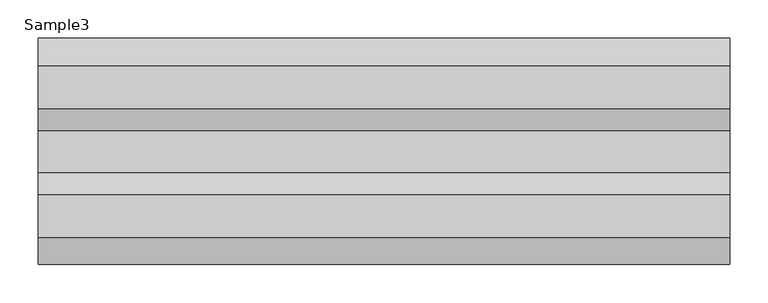
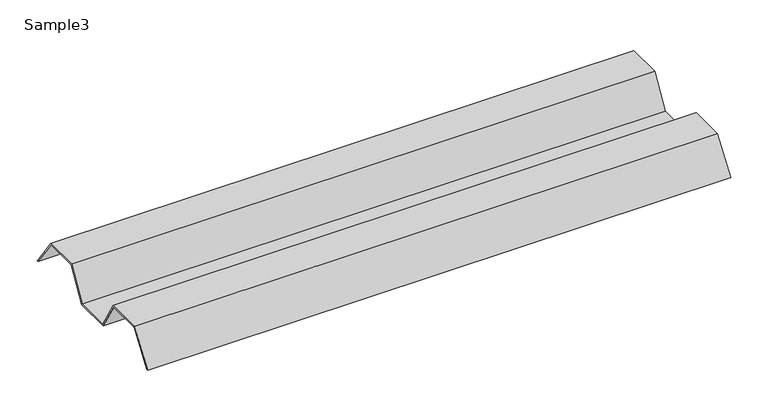
"""IFC4 building model written with IfcOpenShell, lengths in millimetres: proxy geometry, Sample3."""

import ifcopenshell
import ifcopenshell.guid

model = None  # the IFC model being written
_history = None  # IfcOwnerHistory: only IFC2X3 demands one
_inside = {}  # id of a spatial element -> (the spatial element, [elements in it])
_under = {}  # id of a project, library or spatial element -> (it, [spatial elements below it])
_declared = {}  # id of a project -> (the project, [libraries it declares])
_typed = {}  # id of a type object -> (the type object, [elements of that type])
_made_of = {}  # id of a material, layer set ... -> (it, [elements and type objects made of it])


def new_model(schema):
    """Start an empty IFC model of exactly this schema.

    Asked for "IFC4X3", IfcOpenShell would pick the latest addendum, in which some entities
    have other attributes; the version numbers below select the first issue.
    IFC2X3 requires an IfcOwnerHistory on every rooted entity: one is made here for all.
    """
    global model, _history
    if schema == "IFC4X3":
        model = ifcopenshell.file(schema_version=(4, 3, 0, 0))
    else:
        model = ifcopenshell.file(schema=schema)
    _inside.clear()
    _under.clear()
    _declared.clear()
    _typed.clear()
    _made_of.clear()
    _history = None
    if model.schema == "IFC2X3":
        org = make("IfcOrganization", Name="unknown")
        user = make(
            "IfcPersonAndOrganization",
            ThePerson=make("IfcPerson", FamilyName="unknown"),
            TheOrganization=org,
        )
        app = make(
            "IfcApplication",
            ApplicationDeveloper=org,
            Version="unknown",
            ApplicationFullName="unknown",
            ApplicationIdentifier="unknown",
        )
        _history = make(
            "IfcOwnerHistory",
            OwningUser=user,
            OwningApplication=app,
            ChangeAction="ADDED",
            CreationDate=0,
        )
    return model


def make(cls, **values):
    """One entity of the class cls with the attributes given. An attribute that is None is left unset."""
    return model.create_entity(
        cls, **{name: value for name, value in values.items() if value is not None}
    )


def rooted(cls, **values):
    """An entity with a GlobalId (a new one), such as an element, a storey or a relation."""
    return make(cls, GlobalId=ifcopenshell.guid.new(), OwnerHistory=_history, **values)


def si_unit(unit_type, name, prefix=None):
    """IfcSIUnit, for example si_unit("LENGTHUNIT", "METRE", prefix="MILLI")."""
    return make("IfcSIUnit", UnitType=unit_type, Prefix=prefix, Name=name)


def assignment(units):
    """IfcUnitAssignment: the units of a project."""
    return None if units is None else make("IfcUnitAssignment", Units=units)


def point(xyz):
    """IfcCartesianPoint."""
    return None if xyz is None else make("IfcCartesianPoint", Coordinates=xyz)


def direction(xyz):
    """IfcDirection."""
    return None if xyz is None else make("IfcDirection", DirectionRatios=xyz)


def frame(location, z_axis=None, x_axis=None):
    """IfcAxis2Placement3D, a coordinate frame: its origin and axes. An axis left out is left unset."""
    return make(
        "IfcAxis2Placement3D",
        Location=point(location),
        Axis=direction(z_axis),
        RefDirection=direction(x_axis),
    )


def origin():
    """The frame at (0, 0, 0) with its axes left unset."""
    return frame((0.0, 0.0, 0.0))


def place(relative_to, where):
    """IfcLocalPlacement: puts the frame where relative to a parent placement (None: the world)."""
    return make(
        "IfcLocalPlacement", PlacementRelTo=relative_to, RelativePlacement=where
    )


def context(
    kind, dimensions, precision=None, world=None, true_north=None, identifier=None
):
    """IfcGeometricRepresentationContext, for example the 3D "Model" context."""
    return make(
        "IfcGeometricRepresentationContext",
        ContextIdentifier=identifier,
        ContextType=kind,
        CoordinateSpaceDimension=dimensions,
        Precision=precision,
        WorldCoordinateSystem=world,
        TrueNorth=true_north,
    )


def project(units=None, contexts=None):
    """IfcProject with its units and contexts."""
    return rooted(
        "IfcProject",
        Name="project",
        RepresentationContexts=contexts,
        UnitsInContext=assignment(units),
    )


def spatial(cls, under=None, at=None, **own):
    """A site, building, storey or space (cls), placed at a placement, below another one or the project."""
    s = rooted(cls, ObjectPlacement=at, **own)
    if under is not None:
        _under.setdefault(under.id(), (under, []))[1].append(s)
    return s


def polyline(points):
    """IfcPolyline through the points."""
    return make("IfcPolyline", Points=[point(p) for p in points])


def outline(outer, holes=None, kind="AREA"):
    """IfcArbitraryClosedProfileDef: a profile drawn as a closed curve; with holes, ...WithVoids."""
    if holes is None:
        return make("IfcArbitraryClosedProfileDef", ProfileType=kind, OuterCurve=outer)
    return make(
        "IfcArbitraryProfileDefWithVoids",
        ProfileType=kind,
        OuterCurve=outer,
        InnerCurves=holes,
    )


def extrude(swept, where, along, depth):
    """IfcExtrudedAreaSolid: the profile swept, set in the frame where, extruded along a direction by depth."""
    return make(
        "IfcExtrudedAreaSolid",
        SweptArea=swept,
        Position=where,
        ExtrudedDirection=direction(along),
        Depth=depth,
    )


def shape(context_of_items, identifier, shape_type, items):
    """IfcShapeRepresentation: the items that make up one representation, for example the "Body"."""
    return make(
        "IfcShapeRepresentation",
        ContextOfItems=context_of_items,
        RepresentationIdentifier=identifier,
        RepresentationType=shape_type,
        Items=items,
    )


def source(mapping_origin, context_of_items, identifier, shape_type, items):
    """IfcRepresentationMap: a shape defined once, which mapped items show again and again."""
    return make(
        "IfcRepresentationMap",
        MappingOrigin=mapping_origin,
        MappedRepresentation=shape(context_of_items, identifier, shape_type, items),
    )


def transform(
    local_origin,
    x_axis=None,
    y_axis=None,
    z_axis=None,
    scale=None,
    scale2=None,
    scale3=None,
    uniform=True,
):
    """IfcCartesianTransformationOperator3D, or its non-uniform kind. x_axis, y_axis, z_axis: its Axis1, 2, 3."""
    if uniform:
        return make(
            "IfcCartesianTransformationOperator3D",
            Axis1=direction(x_axis),
            Axis2=direction(y_axis),
            LocalOrigin=point(local_origin),
            Scale=scale,
            Axis3=direction(z_axis),
        )
    return make(
        "IfcCartesianTransformationOperator3DnonUniform",
        Axis1=direction(x_axis),
        Axis2=direction(y_axis),
        LocalOrigin=point(local_origin),
        Scale=scale,
        Axis3=direction(z_axis),
        Scale2=scale2,
        Scale3=scale3,
    )


def mapped(mapping_source, mapping_target):
    """IfcMappedItem: shows the shape of a source again, moved by a transform."""
    return make(
        "IfcMappedItem", MappingSource=mapping_source, MappingTarget=mapping_target
    )


def made_of(thing, what):
    """Note that an element or type object is made of a material, layer set ...; save() writes the relation."""
    if what is not None:
        _made_of.setdefault(what.id(), (what, []))[1].append(thing)
    return thing


def element(
    cls,
    number,
    at=None,
    inside=None,
    cuts=None,
    type_object=None,
    material=None,
    context=None,
    identifier="Body",
    shape_type=None,
    held_by="IfcProductDefinitionShape",
    body=None,
    shapes=None,
    **own,
):
    """One element of the class cls, such as IfcWall. Its Tag is "e" and its number.

    at: its placement. inside: the storey or other place that contains it. cuts: it is an
    opening in that element (IfcRelVoidsElement). A single representation is given by context,
    identifier, shape_type and body (its items); several are given by shapes. held_by: the class
    of the entity that holds the representations. save() writes the other relations.
    """
    e = rooted(cls, Tag="e%d" % number, ObjectPlacement=at, **own)
    if body is not None:
        shapes = [shape(context, identifier, shape_type, body)]
    if shapes is not None:
        e.Representation = make(held_by, Representations=shapes)
    if inside is not None:
        _inside.setdefault(inside.id(), (inside, []))[1].append(e)
    if cuts is not None:
        rooted(
            "IfcRelVoidsElement", RelatingBuildingElement=cuts, RelatedOpeningElement=e
        )
    if type_object is not None:
        _typed.setdefault(type_object.id(), (type_object, []))[1].append(e)
    return made_of(e, material)


def aggregate(whole, parts):
    """IfcRelAggregates: a whole, such as a stair, and the parts it consists of."""
    return rooted("IfcRelAggregates", RelatingObject=whole, RelatedObjects=parts)


def save(model, path):
    """Write the relations noted so far, then the file.

    IfcRelAggregates (storeys below a building ...), IfcRelContainedInSpatialStructure (elements
    in a storey), IfcRelDefinesByType, IfcRelAssociatesMaterial and IfcRelDeclares: one each for
    every whole, place, type object, material and project.
    """
    for whole, parts in _under.values():
        aggregate(whole, parts)
    for where, things in _inside.values():
        rooted(
            "IfcRelContainedInSpatialStructure",
            RelatedElements=things,
            RelatingStructure=where,
        )
    for kind, things in _typed.values():
        rooted("IfcRelDefinesByType", RelatedObjects=things, RelatingType=kind)
    for what, things in _made_of.values():
        rooted("IfcRelAssociatesMaterial", RelatedObjects=things, RelatingMaterial=what)
    for by, libraries in _declared.values():
        rooted("IfcRelDeclares", RelatingContext=by, RelatedDefinitions=libraries)
    model.write(path)


def sample3_bf89b2d7(model_context):
    return source(origin(), model_context, "Body", "SweptSolid", [
        extrude(outline(polyline([(145.0500027, 0.0), (111.0877822, 48.0), (57.1001053, 48.0), (28.6623259, 0.0), (-28.6618954, 0.0), (-57.0591173, 48.0), (-111.1363424, 48.0), (-145.0511434, 0.0), (-147.5, 0.0), (-112.1720823, 50.0), (-55.918544, 50.0), (-27.5213222, 2.0), (27.5225816, 2.0), (55.9603611, 50.0), (112.122687, 50.0), (147.5, 0.0), (145.0500027, 0.0)])), frame((0.0, 0.0, 0.0), z_axis=(1.0, 0.0, 0.0), x_axis=(0.0, 1.0, 0.0)), (0.0, 0.0, 1.0), 900.0),
    ])


if __name__ == "__main__":
    model = new_model("IFC4")
    model_context = context("Model", 3, world=origin())
    ifc_project = project(units=[si_unit("LENGTHUNIT", "METRE", prefix="MILLI")], contexts=[model_context])
    site = spatial("IfcSite", under=ifc_project)
    building = spatial("IfcBuilding", under=site)
    placement = place(None, origin())
    sample3_shape = sample3_bf89b2d7(model_context)
    element("IfcBuildingElementProxy", 1, Name="Sample3", ObjectType="Sample3", at=placement, inside=building, context=model_context, shape_type="MappedRepresentation", body=[
        mapped(sample3_shape, transform((0.0, 0.0, 0.0), x_axis=(1.0, 0.0, 0.0), y_axis=(0.0, 1.0, 0.0), z_axis=(0.0, 0.0, 1.0))),
    ])
    save(model, "model.ifc")
